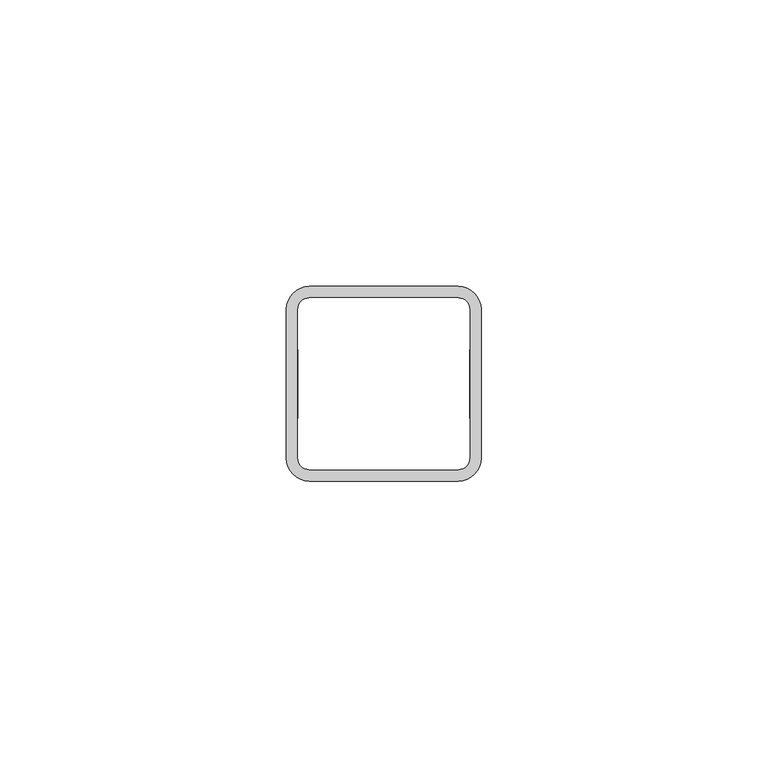
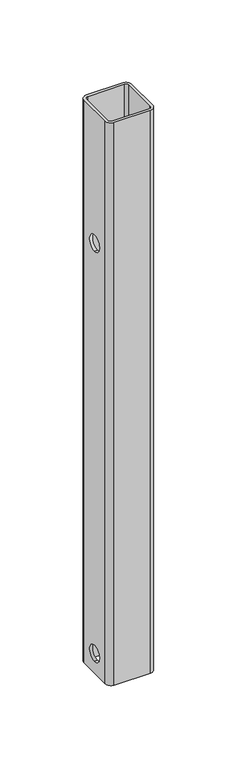
"""IFC4 building model written with IfcOpenShell, lengths in millimetres: proxy geometry."""

from ifc_helpers import new_model, si_unit, frame, origin, place, context, project, spatial, polyline, circle_curve, source, transform, mapped, element, save
from ifc_brep_helpers import plane_surface, cylinder_surface, revolved_surface, advanced_brep


def generic_models_769c4440(model_context):
    return source(origin(), model_context, "Body", "AdvancedBrep", [
        advanced_brep(
        [(15.0, 0.0, 21.0), (17.0, 0.0, 21.0), (17.0, 0.0, 9.0), (15.0, 0.0, 9.0), (-17.0, 0.0, 21.0), (-15.0, 0.0, 21.0), (-15.0, 0.0, 9.0), (-17.0, 0.0, 9.0), (-15.0, 0.0, 318.0), (-17.0, 0.0, 318.0), (-17.0, 0.0, 330.0), (-15.0, 0.0, 330.0), (17.0, 0.0, 318.0), (15.0, 0.0, 318.0), (15.0, 0.0, 330.0), (17.0, 0.0, 330.0), (-13.0, 17.0, 424.0), (-17.0, 13.0, 424.0), (-17.0, -13.0, 424.0), (-13.0, -17.0, 424.0), (13.0, -17.0, 424.0), (17.0, -13.0, 424.0), (17.0, 13.0, 424.0), (13.0, 17.0, 424.0), (-13.0, 15.0, 424.0), (13.0, 15.0, 424.0), (15.0, 13.0, 424.0), (15.0, -13.0, 424.0), (13.0, -15.0, 424.0), (-13.0, -15.0, 424.0), (-15.0, -13.0, 424.0), (-15.0, 13.0, 424.0), (13.0, -15.0, 0.0), (-13.0, -15.0, 0.0), (15.0, -13.0, 0.0), (15.0, 13.0, 0.0), (13.0, 15.0, 0.0), (17.0, -13.0, 0.0), (17.0, 13.0, 0.0), (13.0, -17.0, 0.0), (-13.0, -17.0, 0.0), (-17.0, -13.0, 0.0), (-13.0, 15.0, 0.0), (-15.0, 13.0, 0.0), (-15.0, -13.0, 0.0), (-17.0, 13.0, 0.0), (-13.0, 17.0, 0.0), (13.0, 17.0, 0.0)],
        [
            (0, 1),
            (1, 2, circle_curve(frame((17.0, 0.0, 15.0), z_axis=(1.0, 0.0, 0.0), x_axis=(0.0, 0.0, 1.0)), 6.0)),
            (2, 3),
            (3, 0, circle_curve(frame((15.0, 0.0, 15.0), z_axis=(-1.0, 0.0, 0.0), x_axis=(0.0, 0.0, 1.0)), 6.0)),
            (4, 5),
            (5, 6, circle_curve(frame((-15.0, 0.0, 15.0), z_axis=(1.0, 0.0, 0.0), x_axis=(0.0, 0.0, 1.0)), 6.0)),
            (6, 7),
            (7, 4, circle_curve(frame((-17.0, 0.0, 15.0), z_axis=(-1.0, 0.0, 0.0), x_axis=(0.0, 0.0, 1.0)), 6.0)),
            (8, 9),
            (9, 10, circle_curve(frame((-17.0, 0.0, 324.0), z_axis=(-1.0, 0.0, 0.0), x_axis=(0.0, 0.0, -1.0)), 6.0)),
            (10, 11),
            (11, 8, circle_curve(frame((-15.0, 0.0, 324.0), z_axis=(1.0, 0.0, 0.0), x_axis=(0.0, 0.0, -1.0)), 6.0)),
            (12, 13),
            (13, 14, circle_curve(frame((15.0, 0.0, 324.0), z_axis=(-1.0, 0.0, 0.0), x_axis=(0.0, 0.0, -1.0)), 6.0)),
            (14, 15),
            (15, 12, circle_curve(frame((17.0, 0.0, 324.0), z_axis=(1.0, 0.0, 0.0), x_axis=(0.0, 0.0, -1.0)), 6.0)),
            (16, 17, circle_curve(frame((-13.0, 13.0, 424.0), z_axis=(0.0, 0.0, 1.0), x_axis=(0.0, -1.0, 0.0)), 4.0)),
            (17, 18),
            (18, 19, circle_curve(frame((-13.0, -13.0, 424.0), z_axis=(0.0, 0.0, 1.0), x_axis=(1.0, 0.0, 0.0)), 4.0)),
            (19, 20),
            (20, 21, circle_curve(frame((13.0, -13.0, 424.0), z_axis=(0.0, 0.0, 1.0), x_axis=(0.0, 1.0, 0.0)), 4.0)),
            (21, 22),
            (22, 23, circle_curve(frame((13.0, 13.0, 424.0), z_axis=(0.0, 0.0, 1.0), x_axis=(-1.0, 0.0, 0.0)), 4.0)),
            (23, 16),
            (24, 25),
            (25, 26, circle_curve(frame((13.0, 13.0, 424.0), z_axis=(0.0, 0.0, -1.0), x_axis=(-1.0, 0.0, 0.0)), 2.0)),
            (26, 27),
            (27, 28, circle_curve(frame((13.0, -13.0, 424.0), z_axis=(0.0, 0.0, -1.0), x_axis=(0.0, 1.0, 0.0)), 2.0)),
            (28, 29),
            (29, 30, circle_curve(frame((-13.0, -13.0, 424.0), z_axis=(0.0, 0.0, -1.0), x_axis=(1.0, 0.0, 0.0)), 2.0)),
            (30, 31),
            (31, 24, circle_curve(frame((-13.0, 13.0, 424.0), z_axis=(0.0, 0.0, -1.0), x_axis=(0.0, -1.0, 0.0)), 2.0)),
            (28, 32),
            (32, 33),
            (33, 29),
            (27, 34),
            (34, 32, circle_curve(frame((13.0, -13.0, 0.0), z_axis=(0.0, 0.0, -1.0), x_axis=(0.0, 1.0, 0.0)), 2.0)),
            (26, 35),
            (35, 34),
            (13, 14, circle_curve(frame((15.0, 0.0, 324.0), z_axis=(1.0, 0.0, 0.0), x_axis=(0.0, 0.0, -1.0)), 6.0)),
            (3, 0, circle_curve(frame((15.0, 0.0, 15.0), z_axis=(1.0, 0.0, 0.0), x_axis=(0.0, 0.0, 1.0)), 6.0)),
            (25, 36),
            (36, 35, circle_curve(frame((13.0, 13.0, 0.0), z_axis=(0.0, 0.0, -1.0), x_axis=(-1.0, 0.0, 0.0)), 2.0)),
            (21, 37),
            (37, 38),
            (38, 22),
            (1, 2, circle_curve(frame((17.0, 0.0, 15.0), z_axis=(-1.0, 0.0, 0.0), x_axis=(0.0, 0.0, 1.0)), 6.0)),
            (15, 12, circle_curve(frame((17.0, 0.0, 324.0), z_axis=(-1.0, 0.0, 0.0), x_axis=(0.0, 0.0, -1.0)), 6.0)),
            (20, 39),
            (39, 37, circle_curve(frame((13.0, -13.0, 0.0), z_axis=(0.0, 0.0, 1.0), x_axis=(0.0, 1.0, 0.0)), 4.0)),
            (19, 40),
            (40, 39),
            (18, 41),
            (41, 40, circle_curve(frame((-13.0, -13.0, 0.0), z_axis=(0.0, 0.0, 1.0), x_axis=(1.0, 0.0, 0.0)), 4.0)),
            (8, 11, circle_curve(frame((-15.0, 0.0, 324.0), z_axis=(1.0, 0.0, 0.0), x_axis=(0.0, 0.0, -1.0)), 6.0)),
            (10, 9, circle_curve(frame((-17.0, 0.0, 324.0), z_axis=(-1.0, 0.0, 0.0), x_axis=(0.0, 0.0, -1.0)), 6.0)),
            (24, 42),
            (42, 36),
            (31, 43),
            (43, 42, circle_curve(frame((-13.0, 13.0, 0.0), z_axis=(0.0, 0.0, -1.0), x_axis=(0.0, -1.0, 0.0)), 2.0)),
            (30, 44),
            (44, 43),
            (5, 6, circle_curve(frame((-15.0, 0.0, 15.0), z_axis=(-1.0, 0.0, 0.0), x_axis=(0.0, 0.0, 1.0)), 6.0)),
            (33, 44, circle_curve(frame((-13.0, -13.0, 0.0), z_axis=(0.0, 0.0, -1.0), x_axis=(1.0, 0.0, 0.0)), 2.0)),
            (4, 7, circle_curve(frame((-17.0, 0.0, 15.0), z_axis=(-1.0, 0.0, 0.0), x_axis=(0.0, 0.0, 1.0)), 6.0)),
            (17, 45),
            (45, 41),
            (16, 46),
            (46, 45, circle_curve(frame((-13.0, 13.0, 0.0), z_axis=(0.0, 0.0, 1.0), x_axis=(0.0, -1.0, 0.0)), 4.0)),
            (23, 47),
            (47, 46),
            (38, 47, circle_curve(frame((13.0, 13.0, 0.0), z_axis=(0.0, 0.0, 1.0), x_axis=(-1.0, 0.0, 0.0)), 4.0)),
        ],
        [
            revolved_surface(polyline([(15.0, 0.0, 21.0), (17.0, 0.0, 21.0)]), (17.0, 0.0, 15.0), (-1.0, 0.0, 0.0)),
            revolved_surface(polyline([(-17.0, 0.0, 21.0), (-15.0, 0.0, 21.0)]), (17.0, 0.0, 15.0), (-1.0, 0.0, 0.0)),
            revolved_surface(polyline([(-15.0, 0.0, 318.0), (-17.0, 0.0, 318.0)]), (-17.0, 0.0, 324.0), (1.0, 0.0, 0.0)),
            revolved_surface(polyline([(17.0, 0.0, 318.0), (15.0, 0.0, 318.0)]), (-17.0, 0.0, 324.0), (1.0, 0.0, 0.0)),
            plane_surface(frame((-17.0, 72.9236486, 424.0), z_axis=(0.0, 0.0, 1.0), x_axis=(-1.0, 0.0, 0.0))),
            plane_surface(frame((13.0, -15.0, 0.0), z_axis=(0.0, 1.0, 0.0), x_axis=(0.0, 0.0, -1.0))),
            revolved_surface(polyline([(13.0, -11.0, 424.0), (13.0, -11.0, 0.0)]), (13.0, -13.0, 0.0), (0.0, 0.0, 1.0)),
            plane_surface(frame((15.0, 13.0, 0.0), z_axis=(-1.0, 0.0, 0.0), x_axis=(0.0, 0.0, -1.0))),
            revolved_surface(polyline([(11.0, 13.0, 424.0), (11.0, 13.0, 0.0)]), (13.0, 13.0, 0.0), (0.0, 0.0, 1.0)),
            plane_surface(frame((17.0, 13.0, 0.0), z_axis=(1.0, 0.0, 0.0), x_axis=(0.0, 0.0, -1.0))),
            cylinder_surface(frame((13.0, -13.0, 0.0), z_axis=(0.0, 0.0, 1.0), x_axis=(0.0, 1.0, 0.0)), 4.0),
            plane_surface(frame((13.0, -17.0, 0.0), z_axis=(0.0, -1.0, 0.0), x_axis=(0.0, 0.0, -1.0))),
            cylinder_surface(frame((-13.0, -13.0, 0.0), z_axis=(0.0, 0.0, 1.0), x_axis=(1.0, 0.0, 0.0)), 4.0),
            plane_surface(frame((-13.0, 15.0, 0.0), z_axis=(0.0, -1.0, 0.0), x_axis=(0.0, 0.0, 1.0))),
            revolved_surface(polyline([(-13.0, 11.0, 424.0), (-13.0, 11.0, 0.0)]), (-13.0, 13.0, 0.0), (0.0, 0.0, 1.0)),
            plane_surface(frame((-15.0, -13.0, 0.0), z_axis=(1.0, 0.0, 0.0), x_axis=(0.0, 0.0, 1.0))),
            revolved_surface(polyline([(-11.0, -13.0, 424.0), (-11.0, -13.0, 0.0)]), (-13.0, -13.0, 0.0), (0.0, 0.0, 1.0)),
            plane_surface(frame((-17.0, -13.0, 0.0), z_axis=(-1.0, 0.0, 0.0), x_axis=(0.0, 0.0, 1.0))),
            cylinder_surface(frame((-13.0, 13.0, 0.0), z_axis=(0.0, 0.0, 1.0), x_axis=(0.0, -1.0, 0.0)), 4.0),
            plane_surface(frame((-13.0, 17.0, 0.0), z_axis=(0.0, 1.0, 0.0), x_axis=(0.0, 0.0, 1.0))),
            cylinder_surface(frame((13.0, 13.0, 0.0), z_axis=(0.0, 0.0, 1.0), x_axis=(-1.0, 0.0, 0.0)), 4.0),
            plane_surface(frame((0.0, 0.0, 0.0), z_axis=(0.0, 0.0, -1.0), x_axis=(1.0, 0.0, 0.0))),
        ],
        [
            (0, [[1, 2, 3, 4]]),
            (1, [[5, 6, 7, 8]]),
            (2, [[9, 10, 11, 12]]),
            (3, [[13, 14, 15, 16]]),
            (4, [[17, 18, 19, 20, 21, 22, 23, 24], [25, 26, 27, 28, 29, 30, 31, 32]]),
            (5, [[-29, 33, 34, 35]]),
            (6, [[-28, 36, 37, -33]]),
            (7, [[-27, 38, 39, -36], [-14, 40], [41, -4]]),
            (8, [[-26, 42, 43, -38]]),
            (9, [[-22, 44, 45, 46], [-2, 47], [48, -16]]),
            (10, [[-21, 49, 50, -44]]),
            (11, [[-20, 51, 52, -49]]),
            (12, [[-19, 53, 54, -51]]),
            (3, [[-13, -48, -15, -40]]),
            (2, [[-9, 55, -11, 56]]),
            (13, [[-25, 57, 58, -42]]),
            (14, [[-32, 59, 60, -57]]),
            (15, [[-31, 61, 62, -59], [-6, 63], [-55, -12]]),
            (16, [[-30, -35, 64, -61]]),
            (1, [[-5, 65, -7, -63]]),
            (0, [[-1, -41, -3, -47]]),
            (17, [[-18, 66, 67, -53], [-10, -56], [-65, -8]]),
            (18, [[-17, 68, 69, -66]]),
            (19, [[-24, 70, 71, -68]]),
            (20, [[-23, -46, 72, -70]]),
            (21, [[-67, -69, -71, -72, -45, -50, -52, -54], [-58, -60, -62, -64, -34, -37, -39, -43]]),
        ],
    ),
    ])


if __name__ == "__main__":
    model = new_model("IFC4")
    model_context = context("Model", 3, world=origin())
    ifc_project = project(units=[si_unit("LENGTHUNIT", "METRE", prefix="MILLI")], contexts=[model_context])
    site = spatial("IfcSite", under=ifc_project)
    building = spatial("IfcBuilding", under=site)
    placement = place(None, origin())
    generic_models_shape = generic_models_769c4440(model_context)
    element("IfcBuildingElementProxy", 1, Name="Generic Models", at=placement, inside=building, context=model_context, shape_type="MappedRepresentation", body=[
        mapped(generic_models_shape, transform((0.0, 0.0, 0.0), x_axis=(1.0, 0.0, 0.0), y_axis=(0.0, 1.0, 0.0), z_axis=(0.0, 0.0, 1.0))),
    ])
    save(model, "model.ifc")
